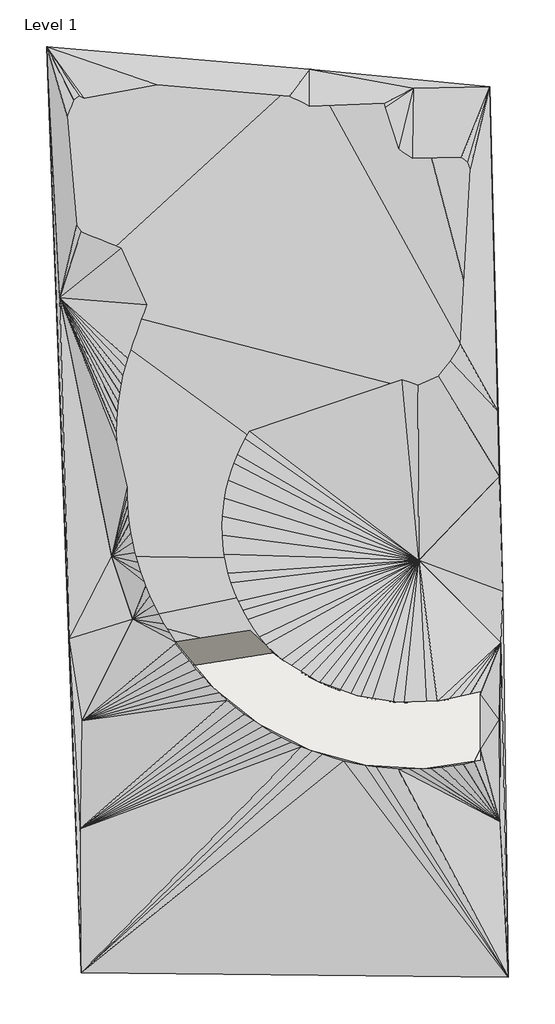
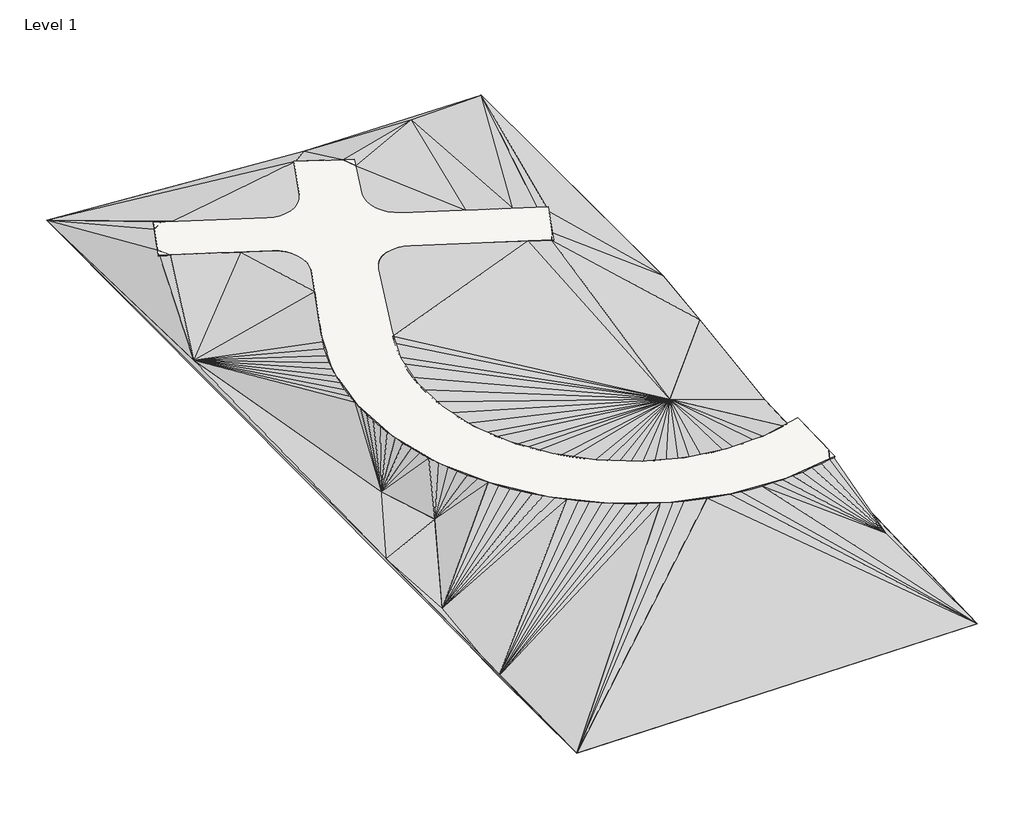
# One storey: 2 proxies, 1 slab.
"""IFC4 building model written with IfcOpenShell, lengths in millimetres."""

from ifc_helpers import new_model, si_unit, frame, origin, place, context, project, spatial, polyline, ellipse_curve, triangles, element, save
from ifc_brep_helpers import plane_surface, cylinder_surface, revolved_surface, advanced_brep

model = new_model("IFC4")

# Units and contexts
model_context = context("Model", 3, world=origin())
ifc_project = project(units=[si_unit("LENGTHUNIT", "METRE", prefix="MILLI")], contexts=[model_context])

# Site, building, storey
site = spatial("IfcSite", under=ifc_project)
building = spatial("IfcBuilding", under=site)
storey = spatial("IfcBuildingStorey", under=building, Name="Level 1", Elevation=0.0)

# Proxies
placement = place(None, origin())
element("IfcBuildingElementProxy", 1, Name="Building Element Proxy", at=placement, inside=storey, context=model_context, shape_type="Tessellation", body=[
    triangles([(68872.0193848, 2162.3956261, -5400.0000412), (107662.1633057, 1746.1923969, -5400.0000412), (68788.7779541, 15231.1784454, -5400.0000412), (106912.9997314, 15897.1040771, -4400.0000336), (106829.7583008, 25136.8168396, -4400.0000336), (68955.2608154, 25053.5754089, -4400.0000336), (67789.8900879, 32461.9953003, -3400.0000259), (106996.2411621, 32129.0319031, -3400.0000259), (107162.7240234, 36790.5101624, -3400.0000259), (106873.0393799, 47235.3865723, -1400.0000107), (66918.617688, 63436.0860718, -1400.0000107), (106708.844751, 53146.4536743, -400.0000031), (65731.8110596, 86226.5786865, -400.0000031), (89608.3164551, 84188.3403076, -400.0000031), (99067.413501, 82451.971875, 600.0000046), (106016.1986572, 82596.7351318, 600.0000046), (99539.0219238, 39607.8195923, -2400.0000183), (71658.2353638, 39973.0949707, -2400.0000183), (73569.295459, 34257.8856812, -2400.0000183)], [[7, 3, 6], [3, 7, 1], [6, 5, 19], [3, 4, 6], [7, 13, 1], [7, 6, 19], [13, 11, 14], [11, 13, 7], [17, 11, 18], [19, 18, 7], [19, 17, 18], [11, 12, 14], [11, 7, 18], [4, 3, 1], [5, 4, 8], [5, 17, 19], [8, 2, 9], [2, 8, 4], [8, 9, 17], [6, 4, 5], [5, 8, 17], [14, 12, 15], [12, 11, 17], [16, 12, 10], [12, 16, 15], [10, 12, 17], [16, 10, 9], [17, 9, 10], [15, 16, 14], [4, 1, 2]], closed=False),
])
element("IfcBuildingElementProxy", 2, Name="Building Element Proxy", at=placement, inside=storey, context=model_context, shape_type="Tessellation", body=[
    triangles([(68872.0193848, 2162.3956261, -5400.0000412), (107662.1633057, 1746.1923969, -5400.0000412), (68788.7779541, 15231.1784454, -5400.0000412), (106912.9997314, 15897.1040771, -4400.0000336), (106829.7583008, 25136.8168396, -4400.0000336), (68955.2608154, 25053.5754089, -4400.0000336), (67789.8900879, 32461.9953003, -3400.0000259), (106996.2411621, 32129.0319031, -3400.0000259), (107162.7240234, 36790.5101624, -3400.0000259), (106873.0393799, 47235.3865723, -1400.0000107), (66918.617688, 63436.0860718, -1400.0000107), (106708.844751, 53146.4536743, -400.0000031), (65731.8110596, 86226.5786865, -400.0000031), (89608.3164551, 84188.3403076, -400.0000031), (99067.413501, 82451.971875, 600.0000046), (106016.1986572, 82596.7351318, 600.0000046), (99539.0219238, 39607.8195923, -2400.0000183), (71658.2353638, 39973.0949707, -2400.0000183), (73569.295459, 34257.8856812, -2400.0000183), (104187.9288574, 27398.8183044, 976.6315212), (103218.7042969, 27153.123999, 973.5335999), (102238.2060059, 26957.1475891, 972.1664595), (101248.9919678, 26811.3983459, 972.5336609), (100253.6387695, 26716.2622925, 974.6344774), (99254.7322998, 26671.9649963, 978.4625868), (98254.8863525, 26678.6483093, 984.0090506), (97256.6775146, 26736.2703735, 991.2586081), (96262.7288818, 26844.7009644, 1000.1928738), (95275.5984375, 27003.6331238, 1010.7880119), (94297.8813721, 27212.6715271, 1023.0169893), (93332.0984619, 27471.2510925, 1036.8472498), (92380.7797852, 27778.7137207, 1052.2433304), (91446.3810059, 28134.2385315, 1069.1645359), (90531.3484863, 28536.9162781, 1087.5672644), (89638.0355713, 28985.6772583, 1107.4030449), (88768.7863037, 29479.3703796, 1128.6206451), (87925.8331055, 30016.6910706, 1151.1644726), (87111.3897949, 30596.2533691, 1174.9761732), (86327.5492676, 31216.536438, 1199.9933235), (85576.3579102, 31875.9380493, 1226.1514652), (84859.7504883, 32572.7304016, 1253.3819252), (84179.5966553, 33305.1112793, 1281.6143589), (83537.6544434, 34071.1645203, 1310.775079), (82935.5888672, 34868.913501, 1340.7885086), (82374.9533203, 35696.2723022, 1371.5767456), (81857.2081787, 36551.1038452, 1403.0597076), (81383.6928955, 37431.1780334, 1435.1557137), (80955.626001, 38334.2205872, 1467.7816292), (80574.1237061, 39257.8781616, 1500.8524303), (80240.1719971, 40199.7602051, 1534.2826572), (79954.6266357, 41157.4180298, 1567.9853966), (79718.2410645, 42128.3773682, 1601.8734444), (79531.6198975, 43110.112793, 1635.8587246), (79395.2468262, 44100.0756226, 1669.8531612), (79309.4846191, 45095.7032227, 1703.7685329), (79274.537915, 46094.4143555, 1737.5170544), (79290.518335, 47093.6184814, 1771.0110855), (79357.3700684, 48090.725061, 1804.1637131), (79474.9256836, 49083.1389038, 1836.8888958), (79642.8968262, 50068.2973755, 1869.1019005), (79860.82771, 51043.6378418, 1900.7190113), (80128.1695313, 52006.6302246, 1931.6582565), (80444.23396, 52954.777002, 1961.8391178), (80808.1931396, 53885.6085571, 1991.1834023), (81438.6197754, 55369.7040161, 2037.7020744), (81822.5591309, 56292.6058228, 2066.6732712), (82206.5077881, 57215.5076294, 2095.6444679), (82590.4471436, 58138.409436, 2124.61581), (82974.3958008, 59061.3112427, 2153.5870068), (83358.344458, 59984.2130493, 2182.5582035), (83742.2838135, 60907.114856, 2211.5295456), (84126.2324707, 61830.0166626, 2240.5007423), (84510.1718262, 62752.9184692, 2269.4719391), (85040.8743164, 63598.9458984, 2295.0788063), (85816.8083496, 64222.1776245, 2311.8930416), (86754.0534668, 64557.2920532, 2318.1660599), (87749.3601562, 64567.3007446, 2313.2048801), (88530.6240967, 64331.580249, 2301.1248035), (89439.6476807, 63915.2661255, 2282.2958656), (90348.6805664, 63498.952002, 2263.4669277), (91257.7041504, 63082.6425293, 2244.6379898), (92166.7277344, 62666.3284058, 2225.8090519), (93075.7606201, 62250.0189331, 2206.9802593), (93984.7842041, 61833.7048096, 2188.1513214), (94893.8077881, 61417.390686, 2169.3223835), (95802.8406738, 61001.0812134, 2150.4934456), (96711.8642578, 60584.7670898, 2131.6645077), (97620.8878418, 60168.4529663, 2112.8355698), (98529.9207275, 59752.1434937, 2094.0066319), (99438.9443115, 59335.8293701, 2075.1776939), (99991.1617676, 60182.368396, 2100.687038), (100407.3782227, 61091.1919922, 2129.0133614), (100823.6039795, 62000.0155884, 2157.3396847), (101239.8204346, 62908.8391846, 2185.666008), (100622.9278564, 63963.0399536, 2224.3768719), (99713.9042725, 64379.3540771, 2243.2058098), (98804.8806885, 64795.6682007, 2262.0347477), (97895.8478027, 65211.9776733, 2280.8636856), (96986.8242188, 65628.2917969, 2299.6926235), (96077.8006348, 66044.6012695, 2318.5215614), (95168.767749, 66460.9153931, 2337.3504993), (94259.744165, 66877.2295166, 2356.1794373), (93350.7205811, 67293.5389893, 2375.0083752), (92441.6876953, 67709.8531128, 2393.8373131), (91532.6641113, 68126.1625854, 2412.666251), (90623.6405273, 68542.476709, 2431.4951889), (89321.301416, 69320.4431763, 2464.571077), (88725.9424072, 70117.5852173, 2494.5285507), (88424.0445557, 71065.4947998, 2527.9907524), (88448.7314209, 72060.0201416, 2561.2811623), (88624.0881592, 72641.6590576, 2579.8942703), (89008.0275146, 73564.5608643, 2608.8654671), (89391.9761719, 74487.4626709, 2637.8366638), (89775.9155273, 75410.3644775, 2666.8081512), (90159.8641846, 76333.2616333, 2695.779348), (89600.521582, 77590.1244507, 2740.9943207), (88691.497998, 78006.4385742, 2759.8231133), (87782.4651123, 78422.7480469, 2778.6521965), (86873.4415283, 78839.0575195, 2797.4809891), (85964.4179443, 79255.3762939, 2816.3100723), (85426.422876, 78402.3213867, 2790.5058334), (85010.2064209, 77493.4977905, 2762.1796555), (84593.9899658, 76584.6741943, 2733.8531868), (84177.764209, 75675.8505981, 2705.5270088), (83285.3535645, 74123.5779053, 2658.1115891), (82487.9324707, 73528.0561157, 2642.3430748), (81539.4508301, 73226.1722168, 2637.2462929), (80544.4138916, 73251.2358032, 2643.3848717), (78958.2409424, 73884.9459595, 2673.1237541), (78049.2173584, 74301.260083, 2691.9528374), (77140.1891235, 74717.5742065, 2710.7816299), (76231.1608887, 75133.8836792, 2729.6107132), (75322.1373047, 75550.1978027, 2748.4395058), (74413.1090698, 75966.5072754, 2767.268589), (73504.080835, 76382.8213989, 2786.0973816), (72595.057251, 76799.1355225, 2804.9261742), (71686.0290161, 77215.4449951, 2823.7552574), (70657.9429321, 76586.8415039, 2808.1027245), (70241.7264771, 75678.0179077, 2779.7762558), (69825.5053711, 74769.1943115, 2751.4500778), (69409.288916, 73860.3753662, 2723.1236092), (70026.1768433, 72806.1699463, 2684.4128906), (70935.2004272, 72389.8558228, 2665.5838074), (71844.2286621, 71973.5463501, 2646.7550148), (72753.256897, 71557.2322266, 2627.9259315), (73662.280481, 71140.9227539, 2609.097139), (74571.3087158, 70724.6086304, 2590.2680557), (75480.3369507, 70308.2945068, 2571.4392632), (76389.3605347, 69891.9850342, 2552.6101799), (77298.3887695, 69475.6709106, 2533.7813873), (78733.7430176, 68636.7872314, 2497.9501442), (79329.1020264, 67839.6451904, 2467.9926704), (79630.9998779, 66891.7356079, 2434.5303234), (79606.3130127, 65897.2102661, 2401.2400589), (78972.4447266, 64309.9071533, 2351.2713066), (78556.2189697, 63401.0835571, 2322.9449833), (78140.0025146, 62492.2599609, 2294.61866), (77723.7814087, 61583.4363647, 2266.2921913), (77307.5649536, 60674.6127686, 2237.965868), (76891.3438477, 59765.7938232, 2209.6395447), (76475.1273926, 58856.9702271, 2181.3132214), (76058.9062866, 57948.1466309, 2152.986898), (75642.6898315, 57039.3230347, 2124.6605747), (75201.1679443, 56028.4172974, 2093.0382317), (74838.8691284, 55096.8834595, 2063.6618271), (74513.2006348, 54151.9457886, 2033.639677), (74224.6508057, 53195.0367554, 2003.0178543), (73973.6614746, 52227.6167358, 1971.8428677), (73760.6093628, 51251.1507568, 1940.1619526), (73585.81073, 50267.1364014, 1908.023798), (73449.5492798, 49277.0619507, 1875.4768021), (73352.0063965, 48282.4389404, 1842.5708164), (73293.3541626, 47284.7789063, 1809.355838), (73273.6576904, 46285.5980347, 1775.8822998), (73292.9588379, 45286.4125122, 1742.2012161), (73351.2296997, 44288.7478271, 1708.3637466), (73448.3679565, 43294.120166, 1674.421487), (73584.2433838, 42304.0410645, 1640.4258877), (73758.6327393, 41320.0174072, 1606.4286896), (73971.2848755, 40343.5421265, 1572.4816338), (74221.8602783, 39376.1035034, 1538.6363159), (74509.9961792, 38419.1735413, 1504.9443317), (74835.2460938, 37474.2056396, 1471.4566956), (75197.1123779, 36542.6369202, 1438.2244217), (75595.0555298, 35625.8859009, 1405.2982338), (76028.4616333, 34725.3478455, 1372.7279835), (76496.6842163, 33842.3924377, 1340.5635223), (76998.9977417, 32978.3614563, 1308.8533939), (77534.6487671, 32134.5780762, 1277.6462872), (78102.8233887, 31312.3166382, 1246.9892921), (78702.656543, 30512.8375305, 1216.9294991), (79333.2413086, 29737.3546326, 1187.5123993), (79993.6196045, 28987.051593, 1158.7829029), (80682.7775391, 28263.0725281, 1130.7849026), (81399.6733154, 27566.5173706, 1103.5607649), (82143.2279297, 26898.4581482, 1077.1524204), (82912.2972656, 26259.8994507, 1051.5996923), (83705.7186035, 25651.8295898, 1026.9419678), (84522.2734131, 25075.1671143, 1003.2165264), (85360.7431641, 24530.8026672, 980.4598486), (86219.8256104, 24019.5617798, 958.7065979), (87098.2278076, 23542.2164978, 937.9895485), (87994.6103027, 23099.5156128, 918.3411839), (88907.6057373, 22692.1242004, 899.7908627), (89835.8188477, 22320.6631531, 882.3669989), (90777.8543701, 21985.7138306, 866.096771), (91732.2519287, 21687.7715515, 851.004233), (92697.569751, 21427.3083801, 837.1131477), (93672.3288574, 21204.7173157, 824.4445169), (94655.0595703, 21020.330896, 813.0173801), (95644.2364014, 20874.4537537, 802.8499048), (96638.3803711, 20767.2882019, 793.957061), (97635.9473877, 20699.0086487, 786.3528013), (98635.4398682, 20669.7267151, 780.0488983), (99635.3137207, 20679.467981, 775.0542177), (100634.0527588, 20728.2324463, 771.3770439), (101630.1314941, 20815.9503479, 769.0231905), (102622.0337402, 20942.4821594, 767.9957823), (103608.2340088, 21107.6348694, 768.2967087), (104587.2440186, 21311.1573303, 769.9253883), (105143.3775146, 22444.1300354, 805.0397421), (105143.3775146, 23443.5667053, 838.6265728), (105143.3775146, 24443.0010498, 872.2134035), (105143.3775146, 25442.4377197, 905.8002342), (105143.3775146, 26441.8720642, 939.3871376), (105143.3775146, 27441.3087341, 972.9739683)], [[19, 6, 189], [1, 3, 7], [6, 191, 190], [3, 6, 7], [18, 7, 19], [19, 7, 6], [50, 182, 183], [19, 183, 18], [183, 19, 184], [182, 18, 183], [3, 196, 6], [1, 7, 13], [46, 187, 188], [189, 188, 19], [190, 189, 6], [47, 186, 187], [48, 184, 185], [185, 184, 19], [185, 186, 47], [187, 186, 19], [185, 19, 186], [182, 50, 181], [183, 184, 49], [188, 187, 19], [198, 3, 199], [188, 189, 45], [18, 177, 176], [177, 18, 178], [176, 55, 175], [18, 176, 175], [173, 174, 57], [175, 174, 18], [18, 173, 11], [175, 56, 174], [172, 58, 171], [174, 173, 18], [177, 54, 176], [172, 11, 173], [53, 178, 179], [180, 179, 18], [181, 180, 18], [51, 180, 181], [170, 171, 59], [172, 173, 57], [171, 170, 11], [60, 169, 170], [177, 178, 54], [172, 171, 11], [52, 179, 180], [179, 178, 18], [18, 182, 181], [7, 18, 11], [189, 190, 44], [11, 170, 169], [192, 42, 43], [194, 193, 6], [195, 194, 6], [192, 193, 42], [187, 46, 47], [192, 191, 6], [17, 48, 47], [48, 185, 47], [43, 191, 192], [48, 49, 184], [41, 193, 194], [193, 192, 6], [196, 40, 195], [197, 196, 3], [198, 197, 3], [197, 39, 196], [17, 46, 45], [188, 45, 46], [46, 17, 47], [44, 191, 43], [44, 45, 189], [49, 48, 17], [43, 17, 44], [194, 195, 40], [195, 6, 196], [60, 17, 61], [17, 55, 54], [55, 176, 54], [54, 178, 53], [55, 17, 56], [57, 174, 56], [57, 56, 17], [58, 59, 171], [17, 59, 58], [59, 17, 60], [57, 58, 172], [54, 53, 17], [56, 175, 55], [17, 52, 51], [51, 181, 50], [50, 183, 49], [17, 50, 49], [17, 58, 57], [52, 17, 53], [168, 60, 61], [17, 62, 61], [17, 51, 50], [169, 60, 168], [17, 63, 62], [52, 180, 51], [179, 52, 53], [59, 60, 170], [17, 45, 44], [44, 190, 191], [3, 1, 204], [167, 61, 62], [62, 166, 167], [165, 166, 63], [167, 166, 11], [168, 167, 11], [11, 145, 144], [145, 11, 146], [146, 147, 132], [147, 146, 11], [147, 11, 148], [145, 146, 133], [11, 166, 165], [168, 11, 169], [165, 63, 164], [164, 64, 163], [162, 11, 163], [163, 11, 164], [148, 11, 157], [11, 162, 161], [161, 160, 11], [148, 156, 149], [163, 65, 162], [131, 147, 148], [162, 66, 161], [164, 11, 165], [61, 167, 168], [132, 147, 131], [140, 141, 142], [142, 141, 11], [142, 11, 143], [140, 142, 143], [13, 140, 139], [140, 13, 141], [139, 138, 13], [139, 140, 143], [139, 136, 138], [13, 138, 137], [139, 143, 135], [141, 13, 11], [133, 134, 145], [133, 146, 132], [133, 120, 134], [145, 134, 144], [137, 136, 13], [138, 136, 137], [135, 120, 136], [139, 135, 136], [144, 134, 135], [13, 136, 120], [120, 135, 134], [143, 144, 135], [11, 144, 143], [132, 121, 133], [148, 149, 130], [11, 13, 7], [63, 17, 64], [64, 87, 65], [66, 162, 65], [65, 163, 64], [158, 11, 159], [159, 160, 68], [156, 148, 157], [69, 158, 159], [70, 157, 158], [157, 11, 158], [67, 161, 66], [64, 164, 63], [85, 67, 66], [66, 65, 86], [67, 68, 160], [67, 160, 161], [69, 70, 158], [68, 67, 84], [157, 71, 156], [83, 69, 68], [70, 69, 82], [70, 71, 157], [81, 71, 70], [68, 69, 159], [71, 80, 72], [156, 71, 72], [149, 155, 150], [156, 72, 155], [128, 150, 151], [151, 150, 154], [148, 130, 131], [150, 129, 149], [123, 130, 129], [130, 149, 129], [129, 150, 128], [122, 131, 130], [154, 150, 155], [149, 156, 155], [152, 154, 153], [154, 152, 151], [152, 126, 127], [152, 108, 126], [153, 154, 74], [127, 128, 151], [128, 126, 125], [126, 128, 127], [125, 124, 128], [126, 109, 125], [108, 152, 153], [128, 124, 129], [154, 155, 73], [127, 151, 152], [124, 125, 111], [132, 131, 121], [73, 155, 72], [11, 160, 159], [63, 166, 62], [123, 129, 124], [38, 197, 198], [202, 203, 34], [203, 3, 204], [204, 1, 205], [203, 204, 34], [200, 37, 199], [199, 3, 200], [35, 201, 202], [201, 3, 202], [3, 201, 200], [201, 36, 200], [205, 33, 204], [202, 3, 203], [210, 29, 209], [210, 209, 2], [211, 210, 2], [28, 210, 211], [31, 206, 207], [206, 1, 207], [207, 208, 31], [209, 30, 208], [1, 208, 207], [205, 206, 32], [211, 27, 28], [209, 208, 2], [1, 206, 205], [28, 29, 210], [37, 17, 38], [38, 198, 37], [36, 37, 200], [36, 17, 37], [41, 17, 42], [42, 193, 41], [17, 40, 39], [40, 196, 39], [194, 40, 41], [38, 17, 39], [34, 17, 35], [39, 197, 38], [31, 17, 32], [30, 31, 208], [29, 30, 209], [17, 30, 29], [30, 17, 31], [34, 35, 202], [17, 34, 33], [32, 33, 205], [34, 204, 33], [33, 32, 17], [17, 36, 35], [31, 32, 206], [36, 201, 35], [40, 17, 41], [17, 29, 28], [198, 199, 37], [213, 27, 212], [214, 213, 4], [215, 214, 4], [214, 215, 25], [216, 217, 24], [215, 216, 24], [26, 213, 214], [218, 217, 4], [216, 4, 217], [217, 218, 23], [215, 4, 216], [213, 212, 2], [218, 4, 219], [4, 213, 2], [4, 2, 8], [219, 4, 220], [219, 220, 221], [218, 222, 23], [5, 222, 221], [222, 219, 221], [220, 4, 221], [5, 223, 222], [5, 221, 4], [222, 218, 219], [212, 211, 2], [23, 222, 223], [25, 17, 26], [26, 214, 25], [25, 215, 24], [25, 24, 17], [17, 27, 26], [23, 17, 24], [23, 22, 8], [21, 22, 224], [223, 22, 23], [22, 21, 8], [217, 23, 24], [27, 213, 26], [225, 224, 5], [225, 20, 21], [223, 224, 22], [225, 5, 226], [20, 226, 8], [226, 20, 225], [17, 23, 8], [8, 5, 4], [226, 5, 8], [8, 21, 20], [2, 9, 8], [225, 21, 224], [223, 5, 224], [28, 27, 17], [212, 27, 211], [208, 1, 2], [8, 9, 17], [74, 76, 75], [78, 77, 74], [108, 153, 75], [74, 75, 153], [108, 75, 76], [77, 76, 74], [110, 125, 109], [111, 110, 109], [76, 77, 107], [109, 126, 108], [74, 73, 78], [125, 110, 111], [105, 106, 79], [79, 73, 72], [79, 72, 80], [80, 105, 79], [77, 78, 106], [76, 107, 108], [109, 107, 111], [107, 77, 106], [78, 79, 106], [107, 109, 108], [106, 105, 112], [79, 78, 73], [81, 80, 71], [111, 107, 106], [122, 123, 118], [124, 111, 112], [113, 118, 123], [123, 122, 130], [121, 120, 133], [120, 121, 119], [120, 119, 14], [119, 121, 122], [122, 118, 119], [14, 119, 118], [112, 113, 124], [122, 121, 131], [106, 112, 111], [105, 113, 112], [113, 114, 117], [113, 117, 118], [117, 116, 14], [117, 114, 116], [115, 15, 116], [116, 15, 14], [114, 115, 116], [117, 14, 118], [104, 114, 113], [123, 124, 113], [114, 103, 115], [120, 14, 13], [81, 104, 80], [154, 73, 74], [86, 87, 98], [87, 64, 88], [89, 88, 17], [87, 88, 97], [84, 101, 83], [69, 83, 82], [100, 84, 85], [85, 66, 86], [67, 85, 84], [99, 85, 86], [88, 89, 92], [86, 65, 87], [90, 17, 10], [10, 17, 9], [12, 10, 16], [90, 10, 12], [91, 92, 89], [91, 90, 12], [92, 96, 88], [93, 92, 12], [91, 12, 92], [89, 90, 91], [12, 94, 93], [17, 90, 89], [70, 82, 81], [92, 93, 96], [101, 102, 83], [84, 100, 101], [101, 15, 115], [83, 102, 82], [102, 115, 103], [105, 80, 104], [101, 115, 102], [102, 103, 82], [81, 103, 104], [103, 114, 104], [101, 100, 15], [81, 82, 103], [16, 97, 96], [97, 88, 96], [95, 94, 16], [95, 96, 93], [86, 98, 99], [16, 96, 95], [99, 98, 15], [85, 99, 100], [15, 16, 14], [15, 98, 97], [97, 16, 15], [99, 15, 100], [94, 12, 16], [97, 98, 87], [95, 93, 94], [104, 113, 105], [10, 9, 16], [84, 83, 68], [88, 64, 17], [43, 42, 17]], closed=False),
])

# Slab
element("IfcSlab", 3, at=placement, inside=storey, context=model_context, shape_type="AdvancedBrep", body=[
    advanced_brep(
    [(105143.3741241, 27693.5898029, 901.4057692), (105143.3741241, 21444.693956, 691.4065883), (75599.5451414, 56945.1205008, 2041.6781024), (79388.6592287, 65218.7300174, 2299.55134), (77910.2541422, 69195.4520846, 2441.0613032), (69117.1491068, 73222.4826201, 2623.1954138), (71074.164075, 77495.6655572, 2756.3826904), (79867.2691104, 73468.6350218, 2574.2485797), (83843.9911777, 74947.0401083, 2602.7649271), (85842.6447622, 79311.1418313, 2738.7859755), (90509.5483942, 77173.8122582, 2642.1190599), (88624.0845094, 72641.6582947, 2499.8480128), (90144.792898, 68761.7764144, 2361.3672771), (101531.9573503, 63546.7290816, 2125.5016685), (99574.9423821, 59273.5461445, 1992.3143919), (88530.6231202, 64331.5786292, 2221.0785496), (84511.5977508, 62756.3333558, 2189.5329748), (81054.6722951, 54446.8035201, 1928.6844865), (105143.3741241, 27693.5898029, 981.452063), (81054.6722951, 54446.8035201, 2008.7307804), (84511.5977508, 62756.3333558, 2269.5792687), (88530.6231202, 64331.5786292, 2301.1248434), (99574.9423821, 59273.5461445, 2072.3606858), (101531.9573503, 63546.7290816, 2205.5479623), (90144.792898, 68761.7764144, 2441.4135709), (88624.0845094, 72641.6582947, 2579.8943067), (90509.5483942, 77173.8122582, 2722.1653537), (85842.6447622, 79311.1418313, 2818.8322693), (83843.9911777, 74947.0401083, 2682.8112209), (79867.2691104, 73468.6350218, 2654.2948736), (71074.164075, 77495.6655572, 2836.4289842), (69117.1491068, 73222.4826201, 2703.2417076), (77910.2541422, 69195.4520846, 2521.107597), (79388.6592287, 65218.7300174, 2379.5976338), (75599.5451414, 56945.1205008, 2121.7243962), (105143.3741241, 21444.693956, 771.4528821)],
    [
        (0, 1),
        (1, 2, ellipse_curve(frame((98885.7574336, 46280.5955601, 1559.3440976), z_axis=(-0.005319558475370793, 0.033586370381275175, -0.9994216617735674), x_axis=(0.1563439930091649, -0.98711712267197, -0.03400502871283893)), 25626.9231518, 25612.1021225)),
        (2, 3),
        (3, 4, ellipse_curve(frame((76661.0956519, 66467.8885077, 2356.0481479), z_axis=(0.005319558475370793, -0.033586370381275175, 0.9994216617735674), x_axis=(-0.1563439930091649, 0.98711712267197, 0.03400502871283893)), 3001.7360187, 3000.0)),
        (4, 5),
        (5, 6),
        (6, 7),
        (7, 8, ellipse_curve(frame((81116.4276008, 76196.1985986, 2659.261735), z_axis=(0.005319558475370793, -0.033586370381275175, 0.9994216617735674), x_axis=(-0.1563439930091649, 0.98711712267197, 0.03400502871283893)), 3001.7360187, 3000.0)),
        (8, 9),
        (9, 10),
        (10, 11),
        (11, 12, ellipse_curve(frame((91393.9513884, 71489.3399913, 2446.3804323), z_axis=(0.005319558475370793, -0.033586370381275175, 0.9994216617735674), x_axis=(-0.1563439930091649, 0.98711712267197, 0.03400502871283893)), 3001.7360187, 3000.0)),
        (12, 13),
        (13, 14),
        (14, 15),
        (15, 16, ellipse_curve(frame((87281.4646298, 61604.0150523, 2136.0653943), z_axis=(0.005319558475370793, -0.033586370381275175, 0.9994216617735674), x_axis=(-0.1563439930091649, 0.98711712267197, 0.03400502871283893)), 3001.7360187, 3000.0)),
        (16, 17),
        (17, 0, ellipse_curve(frame((98885.7574336, 46280.5955601, 1559.3440976), z_axis=(0.005319558475370793, -0.033586370381275175, 0.9994216617735674), x_axis=(-0.1563439930091649, 0.98711712267197, 0.03400502871283893)), 19623.4511144, 19612.1021225)),
        (18, 19, ellipse_curve(frame((98885.7574336, 46280.5955601, 1639.3903915), z_axis=(-0.005319558475370793, 0.033586370381275175, -0.9994216617735674), x_axis=(-0.1563439930091649, 0.98711712267197, 0.03400502871283893)), 19623.4511144, 19612.1021225)),
        (19, 20),
        (20, 21, ellipse_curve(frame((87281.4646298, 61604.0150523, 2216.1116881), z_axis=(-0.005319558475370793, 0.033586370381275175, -0.9994216617735674), x_axis=(-0.1563439930091649, 0.98711712267197, 0.03400502871283893)), 3001.7360187, 3000.0)),
        (21, 22),
        (22, 23),
        (23, 24),
        (24, 25, ellipse_curve(frame((91393.9513884, 71489.3399913, 2526.4267261), z_axis=(-0.005319558475370793, 0.033586370381275175, -0.9994216617735674), x_axis=(-0.1563439930091649, 0.98711712267197, 0.03400502871283893)), 3001.7360187, 3000.0)),
        (25, 26),
        (26, 27),
        (27, 28),
        (28, 29, ellipse_curve(frame((81116.4276008, 76196.1985986, 2739.3080288), z_axis=(-0.005319558475370793, 0.033586370381275175, -0.9994216617735674), x_axis=(-0.1563439930091649, 0.98711712267197, 0.03400502871283893)), 3001.7360187, 3000.0)),
        (29, 30),
        (30, 31),
        (31, 32),
        (32, 33, ellipse_curve(frame((76661.0956519, 66467.8885077, 2436.0944418), z_axis=(-0.005319558475370793, 0.033586370381275175, -0.9994216617735674), x_axis=(-0.1563439930091649, 0.98711712267197, 0.03400502871283893)), 3001.7360187, 3000.0)),
        (33, 34),
        (34, 35, ellipse_curve(frame((98885.7574336, 46280.5955601, 1639.3903915), z_axis=(0.005319558475370793, -0.033586370381275175, 0.9994216617735674), x_axis=(0.1563439930091649, -0.98711712267197, -0.03400502871283893)), 25626.9231518, 25612.1021225)),
        (35, 18),
        (0, 18),
        (35, 1),
        (34, 2),
        (33, 3),
        (32, 4),
        (31, 5),
        (30, 6),
        (29, 7),
        (28, 8),
        (27, 9),
        (26, 10),
        (25, 11),
        (24, 12),
        (23, 13),
        (22, 14),
        (21, 15),
        (20, 16),
        (19, 17),
    ],
    [
        plane_surface(frame((86751.8326212, 78894.7556679, 2719.9537062), z_axis=(-0.005319558475370793, 0.033586370381275175, -0.9994216617735674), x_axis=(0.1563439930091649, -0.98711712267197, -0.03400502871284022))),
        plane_surface(frame((86751.8326212, 78894.7556679, 2800.0), z_axis=(0.005319558475370793, -0.033586370381275175, 0.9994216617735674), x_axis=(-0.1563439930091649, 0.98711712267197, 0.03400502871284022))),
        plane_surface(frame((105143.3741241, 27693.5898029, 901.4057692), z_axis=(1.0, 0.0, 0.0), x_axis=(0.0, 0.0, 1.0))),
        cylinder_surface(frame((98885.7574336, 46280.5955601, 800.0), z_axis=(0.0, 0.0, -1.0), x_axis=(1.0, 0.0, 0.0)), 25612.1021225),
        plane_surface(frame((75599.5451414, 56945.1205008, 2041.6781024), z_axis=(-0.9091878589637165, 0.4163861634504362, 0.0), x_axis=(0.0, 0.0, 1.0))),
        revolved_surface(polyline([(79661.0956519, 66467.8885077, 2538.1685613042564), (79661.0956519, 66467.8885077, 2253.9740283957435)]), (76661.0956519, 66467.8885077, 800.0), (0.0, 0.0, 1.0)),
        plane_surface(frame((77910.2541422, 69195.4520846, 2441.0613032), z_axis=(-0.41638616345044116, -0.9091878589637141, 0.0), x_axis=(0.0, 0.0, 1.0))),
        plane_surface(frame((69117.1491068, 73222.4826201, 2623.1954138), z_axis=(-0.909187858963716, 0.41638616345043694, 0.0), x_axis=(0.0, 0.0, 1.0))),
        plane_surface(frame((71074.164075, 77495.6655572, 2756.3826904), z_axis=(0.4163861634504374, 0.9091878589637159, 0.0), x_axis=(0.0, 0.0, 1.0))),
        revolved_surface(polyline([(84116.4276008, 76196.1985986, 2841.3821483042566), (84116.4276008, 76196.1985986, 2557.1876154957436)]), (81116.4276008, 76196.1985986, 800.0), (0.0, 0.0, 1.0)),
        plane_surface(frame((83843.9911777, 74947.0401083, 2602.7649271), z_axis=(-0.9091878589637155, 0.4163861634504382, 0.0), x_axis=(0.0, 0.0, 1.0))),
        plane_surface(frame((85842.6447622, 79311.1418313, 2738.7859755), z_axis=(0.416386163450438, 0.9091878589637157, 0.0), x_axis=(0.0, 0.0, 1.0))),
        plane_surface(frame((90509.5483942, 77173.8122582, 2642.1190599), z_axis=(0.9232889596725415, -0.3841061011579951, 0.0), x_axis=(0.0, 0.0, 1.0))),
        revolved_surface(polyline([(94393.9513884, 71489.3399913, 2628.500845604256), (94393.9513884, 71489.3399913, 2344.306312795744)]), (91393.9513884, 71489.3399913, 800.0), (0.0, 0.0, 1.0)),
        plane_surface(frame((90144.792898, 68761.7764144, 2361.3672771), z_axis=(0.4163861634504369, 0.9091878589637161, 0.0), x_axis=(0.0, 0.0, 1.0))),
        plane_surface(frame((101531.9573503, 63546.7290816, 2125.5016685), z_axis=(0.9091878589637126, -0.4163861634504445, 0.0), x_axis=(0.0, 0.0, 1.0))),
        plane_surface(frame((99574.9423821, 59273.5461445, 1992.3143919), z_axis=(-0.4163861634504408, -0.9091878589637143, 0.0), x_axis=(0.0, 0.0, 1.0))),
        revolved_surface(polyline([(90281.4646298, 61604.0150523, 2318.1858076042563), (90281.4646298, 61604.0150523, 2033.991274795744)]), (87281.4646298, 61604.0150523, 800.0), (0.0, 0.0, 1.0)),
        plane_surface(frame((84511.5977508, 62756.3333558, 2189.5329748), z_axis=(0.923288959672542, -0.3841061011579941, 0.0), x_axis=(0.0, 0.0, 1.0))),
        revolved_surface(polyline([(118497.8595561, 46280.5955601, 2306.686410090163), (118497.8595561, 46280.5955601, 892.0480790098368)]), (98885.7574336, 46280.5955601, 800.0), (0.0, 0.0, 1.0)),
    ],
    [
        (0, [[1, 2, 3, 4, 5, 6, 7, 8, 9, 10, 11, 12, 13, 14, 15, 16, 17, 18]]),
        (1, [[19, 20, 21, 22, 23, 24, 25, 26, 27, 28, 29, 30, 31, 32, 33, 34, 35, 36]]),
        (2, [[-1, 37, -36, 38]]),
        (3, [[-2, -38, -35, 39]]),
        (4, [[-3, -39, -34, 40]]),
        (5, [[-4, -40, -33, 41]]),
        (6, [[-5, -41, -32, 42]]),
        (7, [[-6, -42, -31, 43]]),
        (8, [[-7, -43, -30, 44]]),
        (9, [[-8, -44, -29, 45]]),
        (10, [[-9, -45, -28, 46]]),
        (11, [[-10, -46, -27, 47]]),
        (12, [[-11, -47, -26, 48]]),
        (13, [[-12, -48, -25, 49]]),
        (14, [[-13, -49, -24, 50]]),
        (15, [[-14, -50, -23, 51]]),
        (16, [[-15, -51, -22, 52]]),
        (17, [[-16, -52, -21, 53]]),
        (18, [[-17, -53, -20, 54]]),
        (19, [[-18, -54, -19, -37]]),
    ],
),
])

save(model, "model.ifc")
